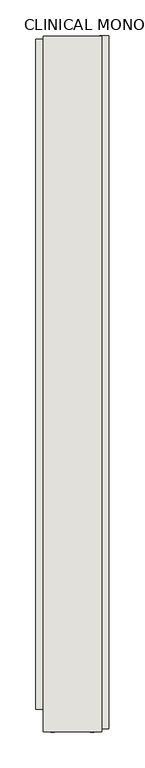
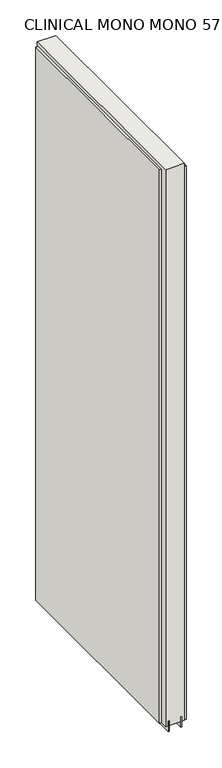
"""IFC4 building model written with IfcOpenShell, lengths in millimetres: wall geometry, CLINICAL MONO MONO 571183 : CLINICAL MONO MONO 571183."""

import ifcopenshell
import ifcopenshell.guid

model = None  # the IFC model being written
_history = None  # IfcOwnerHistory: only IFC2X3 demands one
_inside = {}  # id of a spatial element -> (the spatial element, [elements in it])
_under = {}  # id of a project, library or spatial element -> (it, [spatial elements below it])
_declared = {}  # id of a project -> (the project, [libraries it declares])
_typed = {}  # id of a type object -> (the type object, [elements of that type])
_made_of = {}  # id of a material, layer set ... -> (it, [elements and type objects made of it])


def new_model(schema):
    """Start an empty IFC model of exactly this schema.

    Asked for "IFC4X3", IfcOpenShell would pick the latest addendum, in which some entities
    have other attributes; the version numbers below select the first issue.
    IFC2X3 requires an IfcOwnerHistory on every rooted entity: one is made here for all.
    """
    global model, _history
    if schema == "IFC4X3":
        model = ifcopenshell.file(schema_version=(4, 3, 0, 0))
    else:
        model = ifcopenshell.file(schema=schema)
    _inside.clear()
    _under.clear()
    _declared.clear()
    _typed.clear()
    _made_of.clear()
    _history = None
    if model.schema == "IFC2X3":
        org = make("IfcOrganization", Name="unknown")
        user = make(
            "IfcPersonAndOrganization",
            ThePerson=make("IfcPerson", FamilyName="unknown"),
            TheOrganization=org,
        )
        app = make(
            "IfcApplication",
            ApplicationDeveloper=org,
            Version="unknown",
            ApplicationFullName="unknown",
            ApplicationIdentifier="unknown",
        )
        _history = make(
            "IfcOwnerHistory",
            OwningUser=user,
            OwningApplication=app,
            ChangeAction="ADDED",
            CreationDate=0,
        )
    return model


def make(cls, **values):
    """One entity of the class cls with the attributes given. An attribute that is None is left unset."""
    return model.create_entity(
        cls, **{name: value for name, value in values.items() if value is not None}
    )


def rooted(cls, **values):
    """An entity with a GlobalId (a new one), such as an element, a storey or a relation."""
    return make(cls, GlobalId=ifcopenshell.guid.new(), OwnerHistory=_history, **values)


def si_unit(unit_type, name, prefix=None):
    """IfcSIUnit, for example si_unit("LENGTHUNIT", "METRE", prefix="MILLI")."""
    return make("IfcSIUnit", UnitType=unit_type, Prefix=prefix, Name=name)


def assignment(units):
    """IfcUnitAssignment: the units of a project."""
    return None if units is None else make("IfcUnitAssignment", Units=units)


def point(xyz):
    """IfcCartesianPoint."""
    return None if xyz is None else make("IfcCartesianPoint", Coordinates=xyz)


def direction(xyz):
    """IfcDirection."""
    return None if xyz is None else make("IfcDirection", DirectionRatios=xyz)


def frame(location, z_axis=None, x_axis=None):
    """IfcAxis2Placement3D, a coordinate frame: its origin and axes. An axis left out is left unset."""
    return make(
        "IfcAxis2Placement3D",
        Location=point(location),
        Axis=direction(z_axis),
        RefDirection=direction(x_axis),
    )


def origin():
    """The frame at (0, 0, 0) with its axes left unset."""
    return frame((0.0, 0.0, 0.0))


def place(relative_to, where):
    """IfcLocalPlacement: puts the frame where relative to a parent placement (None: the world)."""
    return make(
        "IfcLocalPlacement", PlacementRelTo=relative_to, RelativePlacement=where
    )


def context(
    kind, dimensions, precision=None, world=None, true_north=None, identifier=None
):
    """IfcGeometricRepresentationContext, for example the 3D "Model" context."""
    return make(
        "IfcGeometricRepresentationContext",
        ContextIdentifier=identifier,
        ContextType=kind,
        CoordinateSpaceDimension=dimensions,
        Precision=precision,
        WorldCoordinateSystem=world,
        TrueNorth=true_north,
    )


def project(units=None, contexts=None):
    """IfcProject with its units and contexts."""
    return rooted(
        "IfcProject",
        Name="project",
        RepresentationContexts=contexts,
        UnitsInContext=assignment(units),
    )


def spatial(cls, under=None, at=None, **own):
    """A site, building, storey or space (cls), placed at a placement, below another one or the project."""
    s = rooted(cls, ObjectPlacement=at, **own)
    if under is not None:
        _under.setdefault(under.id(), (under, []))[1].append(s)
    return s


def polyline(points):
    """IfcPolyline through the points."""
    return make("IfcPolyline", Points=[point(p) for p in points])


def outline(outer, holes=None, kind="AREA"):
    """IfcArbitraryClosedProfileDef: a profile drawn as a closed curve; with holes, ...WithVoids."""
    if holes is None:
        return make("IfcArbitraryClosedProfileDef", ProfileType=kind, OuterCurve=outer)
    return make(
        "IfcArbitraryProfileDefWithVoids",
        ProfileType=kind,
        OuterCurve=outer,
        InnerCurves=holes,
    )


def extrude(swept, where, along, depth):
    """IfcExtrudedAreaSolid: the profile swept, set in the frame where, extruded along a direction by depth."""
    return make(
        "IfcExtrudedAreaSolid",
        SweptArea=swept,
        Position=where,
        ExtrudedDirection=direction(along),
        Depth=depth,
    )


def shape(context_of_items, identifier, shape_type, items):
    """IfcShapeRepresentation: the items that make up one representation, for example the "Body"."""
    return make(
        "IfcShapeRepresentation",
        ContextOfItems=context_of_items,
        RepresentationIdentifier=identifier,
        RepresentationType=shape_type,
        Items=items,
    )


def source(mapping_origin, context_of_items, identifier, shape_type, items):
    """IfcRepresentationMap: a shape defined once, which mapped items show again and again."""
    return make(
        "IfcRepresentationMap",
        MappingOrigin=mapping_origin,
        MappedRepresentation=shape(context_of_items, identifier, shape_type, items),
    )


def transform(
    local_origin,
    x_axis=None,
    y_axis=None,
    z_axis=None,
    scale=None,
    scale2=None,
    scale3=None,
    uniform=True,
):
    """IfcCartesianTransformationOperator3D, or its non-uniform kind. x_axis, y_axis, z_axis: its Axis1, 2, 3."""
    if uniform:
        return make(
            "IfcCartesianTransformationOperator3D",
            Axis1=direction(x_axis),
            Axis2=direction(y_axis),
            LocalOrigin=point(local_origin),
            Scale=scale,
            Axis3=direction(z_axis),
        )
    return make(
        "IfcCartesianTransformationOperator3DnonUniform",
        Axis1=direction(x_axis),
        Axis2=direction(y_axis),
        LocalOrigin=point(local_origin),
        Scale=scale,
        Axis3=direction(z_axis),
        Scale2=scale2,
        Scale3=scale3,
    )


def mapped(mapping_source, mapping_target):
    """IfcMappedItem: shows the shape of a source again, moved by a transform."""
    return make(
        "IfcMappedItem", MappingSource=mapping_source, MappingTarget=mapping_target
    )


def made_of(thing, what):
    """Note that an element or type object is made of a material, layer set ...; save() writes the relation."""
    if what is not None:
        _made_of.setdefault(what.id(), (what, []))[1].append(thing)
    return thing


def element(
    cls,
    number,
    at=None,
    inside=None,
    cuts=None,
    type_object=None,
    material=None,
    context=None,
    identifier="Body",
    shape_type=None,
    held_by="IfcProductDefinitionShape",
    body=None,
    shapes=None,
    **own,
):
    """One element of the class cls, such as IfcWall. Its Tag is "e" and its number.

    at: its placement. inside: the storey or other place that contains it. cuts: it is an
    opening in that element (IfcRelVoidsElement). A single representation is given by context,
    identifier, shape_type and body (its items); several are given by shapes. held_by: the class
    of the entity that holds the representations. save() writes the other relations.
    """
    e = rooted(cls, Tag="e%d" % number, ObjectPlacement=at, **own)
    if body is not None:
        shapes = [shape(context, identifier, shape_type, body)]
    if shapes is not None:
        e.Representation = make(held_by, Representations=shapes)
    if inside is not None:
        _inside.setdefault(inside.id(), (inside, []))[1].append(e)
    if cuts is not None:
        rooted(
            "IfcRelVoidsElement", RelatingBuildingElement=cuts, RelatedOpeningElement=e
        )
    if type_object is not None:
        _typed.setdefault(type_object.id(), (type_object, []))[1].append(e)
    return made_of(e, material)


def aggregate(whole, parts):
    """IfcRelAggregates: a whole, such as a stair, and the parts it consists of."""
    return rooted("IfcRelAggregates", RelatingObject=whole, RelatedObjects=parts)


def save(model, path):
    """Write the relations noted so far, then the file.

    IfcRelAggregates (storeys below a building ...), IfcRelContainedInSpatialStructure (elements
    in a storey), IfcRelDefinesByType, IfcRelAssociatesMaterial and IfcRelDeclares: one each for
    every whole, place, type object, material and project.
    """
    for whole, parts in _under.values():
        aggregate(whole, parts)
    for where, things in _inside.values():
        rooted(
            "IfcRelContainedInSpatialStructure",
            RelatedElements=things,
            RelatingStructure=where,
        )
    for kind, things in _typed.values():
        rooted("IfcRelDefinesByType", RelatedObjects=things, RelatingType=kind)
    for what, things in _made_of.values():
        rooted("IfcRelAssociatesMaterial", RelatedObjects=things, RelatingMaterial=what)
    for by, libraries in _declared.values():
        rooted("IfcRelDeclares", RelatingContext=by, RelatedDefinitions=libraries)
    model.write(path)


def clinical_mono_mono_571183_clinical_mono_mono_571183_a9bf20a8(model_context):
    return source(origin(), model_context, "Body", "SweptSolid", [
        extrude(outline(polyline([(57410.069711, -38392.8019798), (57410.069711, -38395.3419798), (57407.529711, -38395.3419798), (57407.529711, -38392.8019798), (57410.069711, -38392.8019798)])), frame((0.0, 0.0, 4419.6), z_axis=(0.0, 0.0, 1.0), x_axis=(1.0, 0.0, 0.0)), (0.0, 0.0, 1.0), 2.54),
        extrude(outline(polyline([(57357.999711, -39329.4206806), (57357.999711, -38397.2706526), (57370.699711, -38397.2706526), (57370.699711, -39329.4206806), (57357.999711, -39329.4206806)])), frame((0.0, 0.0, 4445.0), z_axis=(0.0, 0.0, 1.0), x_axis=(1.0, 0.0, 0.0)), (0.0, 0.0, 1.0), 2545.0498756),
        extrude(outline(polyline([(57459.599711, -38392.3382139), (57459.599711, -39356.0882041), (57446.899711, -39356.0882041), (57446.899711, -38392.3382139), (57459.599711, -38392.3382139)])), frame((0.0, 0.0, 4445.0), z_axis=(0.0, 0.0, 1.0), x_axis=(1.0, 0.0, 0.0)), (0.0, 0.0, 1.0), 2545.0498756),
        extrude(outline(polyline([(57383.7283616, -38392.8100316), (57383.7283616, -39360.5525208), (57378.6248158, -39360.5525208), (57378.6248158, -38392.8100316), (57383.7283616, -38392.8100316)])), frame((0.0, 0.0, 4418.6602), z_axis=(0.0, 0.0, 1.0), x_axis=(1.0, 0.0, 0.0)), (0.0, 0.0, 1.0), 47.625),
        extrude(outline(polyline([(57383.7283616, -38392.8100316), (57383.7283616, -39360.5525208), (57378.6248158, -39360.5525208), (57378.6248158, -38392.8100316), (57383.7283616, -38392.8100316)])), frame((0.0, 0.0, 4418.6602), z_axis=(0.0, 0.0, 1.0), x_axis=(1.0, 0.0, 0.0)), (0.0, 0.0, 1.0), 47.625),
        extrude(outline(polyline([(57433.871035, -39360.5525208), (57433.871035, -38392.8100316), (57438.9498158, -38392.8100316), (57438.9498158, -39360.5525208), (57433.871035, -39360.5525208)])), frame((0.0, 0.0, 4418.6602), z_axis=(0.0, 0.0, 1.0), x_axis=(1.0, 0.0, 0.0)), (0.0, 0.0, 1.0), 47.625),
        extrude(outline(polyline([(57433.871035, -39360.5525208), (57433.871035, -38392.8100316), (57438.9498158, -38392.8100316), (57438.9498158, -39360.5525208), (57433.871035, -39360.5525208)])), frame((0.0, 0.0, 4418.6602), z_axis=(0.0, 0.0, 1.0), x_axis=(1.0, 0.0, 0.0)), (0.0, 0.0, 1.0), 47.625),
        extrude(outline(polyline([(57368.1634194, -38392.8100316), (57449.4421748, -38392.8100316), (57449.4421748, -39360.5525208), (57368.1634194, -39360.5525208), (57368.1634194, -38392.8100316)])), frame((0.0, 0.0, 4445.0), z_axis=(0.0, 0.0, 1.0), x_axis=(1.0, 0.0, 0.0)), (0.0, 0.0, 1.0), 2562.4536762),
    ])


if __name__ == "__main__":
    model = new_model("IFC4")
    model_context = context("Model", 3, world=origin())
    ifc_project = project(units=[si_unit("LENGTHUNIT", "METRE", prefix="MILLI")], contexts=[model_context])
    site = spatial("IfcSite", under=ifc_project)
    building = spatial("IfcBuilding", under=site)
    placement = place(None, origin())
    clinical_mono_mono_571183_clinical_mono_mono_571183_shape = clinical_mono_mono_571183_clinical_mono_mono_571183_a9bf20a8(model_context)
    element("IfcWall", 1, ObjectType="CLINICAL MONO MONO 571183 : CLINICAL MONO MONO 571183", at=placement, inside=building, context=model_context, shape_type="MappedRepresentation", body=[
        mapped(clinical_mono_mono_571183_clinical_mono_mono_571183_shape, transform((0.0, 0.0, 0.0), x_axis=(1.0, 0.0, 0.0), y_axis=(0.0, 1.0, 0.0), z_axis=(0.0, 0.0, 1.0))),
    ])
    save(model, "model.ifc")
